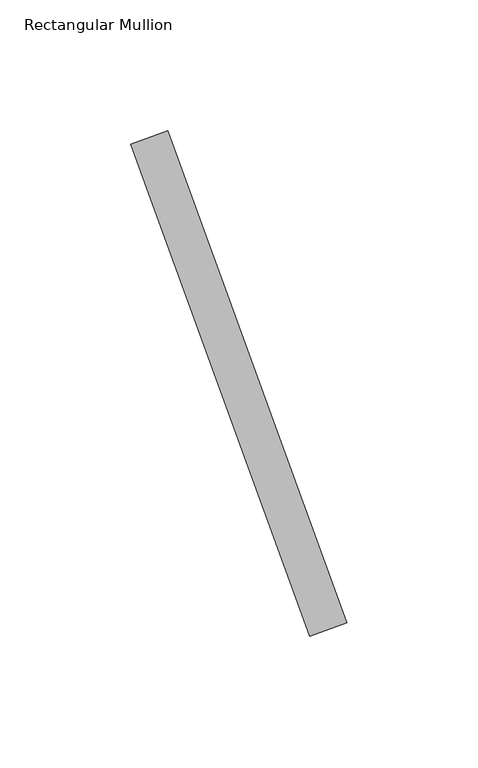
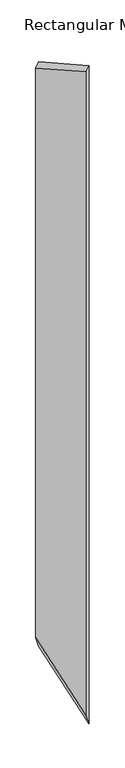
"""IFC4 building model written with IfcOpenShell, lengths in millimetres: member geometry, Rectangular Mullion."""

from ifc_helpers import new_model, si_unit, origin, place, context, project, spatial, faceted_brep, source, transform, mapped, element, save


def rectangular_mullion_7417a998(model_context):
    return source(origin(), model_context, "Body", "Brep", [
        faceted_brep([(17.193429, -47.2385578, 19.0841819), (85.5974576, -235.177082, 95.0105682), (85.5974576, -235.177082, -2351.5466963), (17.193429, -47.2385578, -2152.98782), (71.5020683, -240.3073841, 79.3651158), (3.0980396, -52.36886, 3.4387296), (3.0980396, -52.36886, -2112.0726179), (71.5020683, -240.3073841, -2310.6314941)], [[[0, 1, 2, 3]], [[4, 5, 6, 7]], [[1, 4, 7, 2]], [[5, 0, 3, 6]], [[5, 4, 1, 0]], [[6, 3, 2, 7]]]),
    ])


if __name__ == "__main__":
    model = new_model("IFC4")
    model_context = context("Model", 3, world=origin())
    ifc_project = project(units=[si_unit("LENGTHUNIT", "METRE", prefix="MILLI")], contexts=[model_context])
    site = spatial("IfcSite", under=ifc_project)
    building = spatial("IfcBuilding", under=site)
    placement = place(None, origin())
    rectangular_mullion_shape = rectangular_mullion_7417a998(model_context)
    element("IfcMember", 1, ObjectType="Rectangular Mullion", at=placement, inside=building, context=model_context, shape_type="MappedRepresentation", body=[
        mapped(rectangular_mullion_shape, transform((0.0, 0.0, 0.0), x_axis=(1.0, 0.0, 0.0), y_axis=(0.0, 1.0, 0.0), z_axis=(0.0, 0.0, 1.0))),
    ])
    save(model, "model.ifc")
